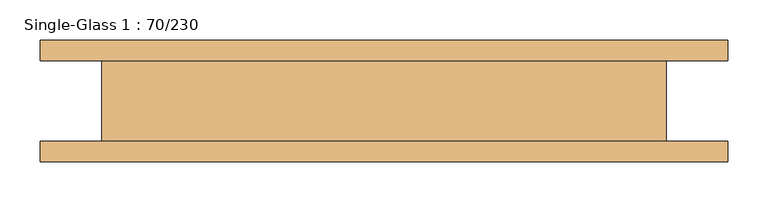
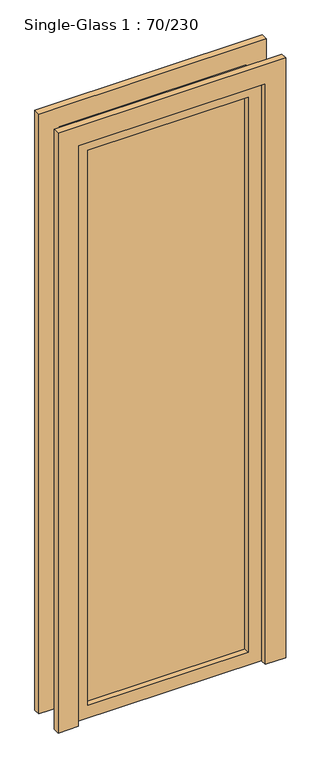
"""IFC4 building model written with IfcOpenShell, lengths in millimetres: door geometry, Single-Glass 1 : 70/230."""

from ifc_helpers import new_model, si_unit, frame, origin, place, context, project, spatial, polyline, outline, extrude, source, transform, mapped, element, save


def single_glass_1_70_230_6a6a3f15(model_context):
    return source(origin(), model_context, "Body", "SweptSolid", [
        extrude(outline(polyline([(2300.0, 350.0), (0.0, 350.0), (0.0, 426.2), (2376.2, 426.2), (2376.2, -426.2), (0.0, -426.2), (0.0, -350.0), (2300.0, -350.0), (2300.0, 350.0)])), frame((0.0, 50.0, 0.0), z_axis=(0.0, 1.0, 0.0), x_axis=(0.0, 0.0, 1.0)), (0.0, 0.0, 1.0), 25.4),
        extrude(outline(polyline([(2300.0, 350.0), (0.0, 350.0), (0.0, 426.2), (2376.2, 426.2), (2376.2, -426.2), (0.0, -426.2), (0.0, -350.0), (2300.0, -350.0), (2300.0, 350.0)])), frame((0.0, -75.4, 0.0), z_axis=(0.0, 1.0, 0.0), x_axis=(0.0, 0.0, 1.0)), (0.0, 0.0, 1.0), 25.4),
        extrude(outline(polyline([(300.0, -21.425), (300.0, -27.775), (-300.0, -27.775), (-300.0, -21.425), (300.0, -21.425)])), frame((0.0, 0.0, 50.0), z_axis=(0.0, 0.0, 1.0), x_axis=(1.0, 0.0, 0.0)), (0.0, 0.0, 1.0), 2200.0),
        extrude(outline(polyline([(2300.0, 350.0), (2300.0, -350.0), (0.0, -350.0), (0.0, 350.0), (2300.0, 350.0)]), holes=[polyline([(2250.0, -300.0), (2250.0, 300.0), (50.0, 300.0), (50.0, -300.0), (2250.0, -300.0)])]), frame((0.0, -50.0, 0.0), z_axis=(0.0, 1.0, 0.0), x_axis=(0.0, 0.0, 1.0)), (0.0, 0.0, 1.0), 100.0),
    ])


if __name__ == "__main__":
    model = new_model("IFC4")
    model_context = context("Model", 3, world=origin())
    ifc_project = project(units=[si_unit("LENGTHUNIT", "METRE", prefix="MILLI")], contexts=[model_context])
    site = spatial("IfcSite", under=ifc_project)
    building = spatial("IfcBuilding", under=site)
    placement = place(None, origin())
    single_glass_1_70_230_shape = single_glass_1_70_230_6a6a3f15(model_context)
    element("IfcDoor", 1, ObjectType="Single-Glass 1 : 70/230", at=placement, inside=building, context=model_context, shape_type="MappedRepresentation", body=[
        mapped(single_glass_1_70_230_shape, transform((0.0, 0.0, 0.0), x_axis=(1.0, 0.0, 0.0), y_axis=(0.0, 1.0, 0.0), z_axis=(0.0, 0.0, 1.0))),
    ])
    save(model, "model.ifc")
